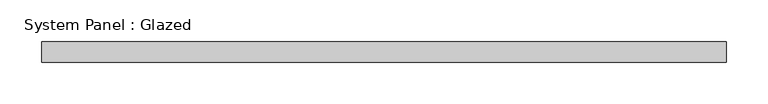
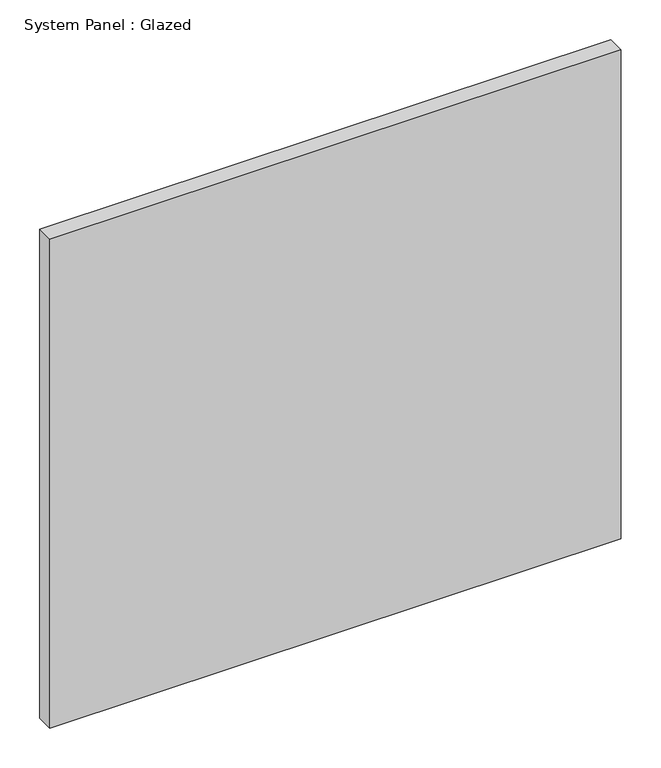
"""IFC4 building model written with IfcOpenShell, lengths in millimetres: plate geometry, System Panel : Glazed."""

import ifcopenshell
import ifcopenshell.guid

model = None  # the IFC model being written
_history = None  # IfcOwnerHistory: only IFC2X3 demands one
_inside = {}  # id of a spatial element -> (the spatial element, [elements in it])
_under = {}  # id of a project, library or spatial element -> (it, [spatial elements below it])
_declared = {}  # id of a project -> (the project, [libraries it declares])
_typed = {}  # id of a type object -> (the type object, [elements of that type])
_made_of = {}  # id of a material, layer set ... -> (it, [elements and type objects made of it])


def new_model(schema):
    """Start an empty IFC model of exactly this schema.

    Asked for "IFC4X3", IfcOpenShell would pick the latest addendum, in which some entities
    have other attributes; the version numbers below select the first issue.
    IFC2X3 requires an IfcOwnerHistory on every rooted entity: one is made here for all.
    """
    global model, _history
    if schema == "IFC4X3":
        model = ifcopenshell.file(schema_version=(4, 3, 0, 0))
    else:
        model = ifcopenshell.file(schema=schema)
    _inside.clear()
    _under.clear()
    _declared.clear()
    _typed.clear()
    _made_of.clear()
    _history = None
    if model.schema == "IFC2X3":
        org = make("IfcOrganization", Name="unknown")
        user = make(
            "IfcPersonAndOrganization",
            ThePerson=make("IfcPerson", FamilyName="unknown"),
            TheOrganization=org,
        )
        app = make(
            "IfcApplication",
            ApplicationDeveloper=org,
            Version="unknown",
            ApplicationFullName="unknown",
            ApplicationIdentifier="unknown",
        )
        _history = make(
            "IfcOwnerHistory",
            OwningUser=user,
            OwningApplication=app,
            ChangeAction="ADDED",
            CreationDate=0,
        )
    return model


def make(cls, **values):
    """One entity of the class cls with the attributes given. An attribute that is None is left unset."""
    return model.create_entity(
        cls, **{name: value for name, value in values.items() if value is not None}
    )


def rooted(cls, **values):
    """An entity with a GlobalId (a new one), such as an element, a storey or a relation."""
    return make(cls, GlobalId=ifcopenshell.guid.new(), OwnerHistory=_history, **values)


def si_unit(unit_type, name, prefix=None):
    """IfcSIUnit, for example si_unit("LENGTHUNIT", "METRE", prefix="MILLI")."""
    return make("IfcSIUnit", UnitType=unit_type, Prefix=prefix, Name=name)


def assignment(units):
    """IfcUnitAssignment: the units of a project."""
    return None if units is None else make("IfcUnitAssignment", Units=units)


def point(xyz):
    """IfcCartesianPoint."""
    return None if xyz is None else make("IfcCartesianPoint", Coordinates=xyz)


def direction(xyz):
    """IfcDirection."""
    return None if xyz is None else make("IfcDirection", DirectionRatios=xyz)


def frame(location, z_axis=None, x_axis=None):
    """IfcAxis2Placement3D, a coordinate frame: its origin and axes. An axis left out is left unset."""
    return make(
        "IfcAxis2Placement3D",
        Location=point(location),
        Axis=direction(z_axis),
        RefDirection=direction(x_axis),
    )


def origin():
    """The frame at (0, 0, 0) with its axes left unset."""
    return frame((0.0, 0.0, 0.0))


def origin_with_axes():
    """The frame at (0, 0, 0) with the z axis (0, 0, 1) and the x axis (1, 0, 0) written out."""
    return frame((0.0, 0.0, 0.0), z_axis=(0.0, 0.0, 1.0), x_axis=(1.0, 0.0, 0.0))


def place(relative_to, where):
    """IfcLocalPlacement: puts the frame where relative to a parent placement (None: the world)."""
    return make(
        "IfcLocalPlacement", PlacementRelTo=relative_to, RelativePlacement=where
    )


def context(
    kind, dimensions, precision=None, world=None, true_north=None, identifier=None
):
    """IfcGeometricRepresentationContext, for example the 3D "Model" context."""
    return make(
        "IfcGeometricRepresentationContext",
        ContextIdentifier=identifier,
        ContextType=kind,
        CoordinateSpaceDimension=dimensions,
        Precision=precision,
        WorldCoordinateSystem=world,
        TrueNorth=true_north,
    )


def project(units=None, contexts=None):
    """IfcProject with its units and contexts."""
    return rooted(
        "IfcProject",
        Name="project",
        RepresentationContexts=contexts,
        UnitsInContext=assignment(units),
    )


def spatial(cls, under=None, at=None, **own):
    """A site, building, storey or space (cls), placed at a placement, below another one or the project."""
    s = rooted(cls, ObjectPlacement=at, **own)
    if under is not None:
        _under.setdefault(under.id(), (under, []))[1].append(s)
    return s


def polyline(points):
    """IfcPolyline through the points."""
    return make("IfcPolyline", Points=[point(p) for p in points])


def outline(outer, holes=None, kind="AREA"):
    """IfcArbitraryClosedProfileDef: a profile drawn as a closed curve; with holes, ...WithVoids."""
    if holes is None:
        return make("IfcArbitraryClosedProfileDef", ProfileType=kind, OuterCurve=outer)
    return make(
        "IfcArbitraryProfileDefWithVoids",
        ProfileType=kind,
        OuterCurve=outer,
        InnerCurves=holes,
    )


def extrude(swept, where, along, depth):
    """IfcExtrudedAreaSolid: the profile swept, set in the frame where, extruded along a direction by depth."""
    return make(
        "IfcExtrudedAreaSolid",
        SweptArea=swept,
        Position=where,
        ExtrudedDirection=direction(along),
        Depth=depth,
    )


def shape(context_of_items, identifier, shape_type, items):
    """IfcShapeRepresentation: the items that make up one representation, for example the "Body"."""
    return make(
        "IfcShapeRepresentation",
        ContextOfItems=context_of_items,
        RepresentationIdentifier=identifier,
        RepresentationType=shape_type,
        Items=items,
    )


def source(mapping_origin, context_of_items, identifier, shape_type, items):
    """IfcRepresentationMap: a shape defined once, which mapped items show again and again."""
    return make(
        "IfcRepresentationMap",
        MappingOrigin=mapping_origin,
        MappedRepresentation=shape(context_of_items, identifier, shape_type, items),
    )


def transform(
    local_origin,
    x_axis=None,
    y_axis=None,
    z_axis=None,
    scale=None,
    scale2=None,
    scale3=None,
    uniform=True,
):
    """IfcCartesianTransformationOperator3D, or its non-uniform kind. x_axis, y_axis, z_axis: its Axis1, 2, 3."""
    if uniform:
        return make(
            "IfcCartesianTransformationOperator3D",
            Axis1=direction(x_axis),
            Axis2=direction(y_axis),
            LocalOrigin=point(local_origin),
            Scale=scale,
            Axis3=direction(z_axis),
        )
    return make(
        "IfcCartesianTransformationOperator3DnonUniform",
        Axis1=direction(x_axis),
        Axis2=direction(y_axis),
        LocalOrigin=point(local_origin),
        Scale=scale,
        Axis3=direction(z_axis),
        Scale2=scale2,
        Scale3=scale3,
    )


def mapped(mapping_source, mapping_target):
    """IfcMappedItem: shows the shape of a source again, moved by a transform."""
    return make(
        "IfcMappedItem", MappingSource=mapping_source, MappingTarget=mapping_target
    )


def made_of(thing, what):
    """Note that an element or type object is made of a material, layer set ...; save() writes the relation."""
    if what is not None:
        _made_of.setdefault(what.id(), (what, []))[1].append(thing)
    return thing


def element(
    cls,
    number,
    at=None,
    inside=None,
    cuts=None,
    type_object=None,
    material=None,
    context=None,
    identifier="Body",
    shape_type=None,
    held_by="IfcProductDefinitionShape",
    body=None,
    shapes=None,
    **own,
):
    """One element of the class cls, such as IfcWall. Its Tag is "e" and its number.

    at: its placement. inside: the storey or other place that contains it. cuts: it is an
    opening in that element (IfcRelVoidsElement). A single representation is given by context,
    identifier, shape_type and body (its items); several are given by shapes. held_by: the class
    of the entity that holds the representations. save() writes the other relations.
    """
    e = rooted(cls, Tag="e%d" % number, ObjectPlacement=at, **own)
    if body is not None:
        shapes = [shape(context, identifier, shape_type, body)]
    if shapes is not None:
        e.Representation = make(held_by, Representations=shapes)
    if inside is not None:
        _inside.setdefault(inside.id(), (inside, []))[1].append(e)
    if cuts is not None:
        rooted(
            "IfcRelVoidsElement", RelatingBuildingElement=cuts, RelatedOpeningElement=e
        )
    if type_object is not None:
        _typed.setdefault(type_object.id(), (type_object, []))[1].append(e)
    return made_of(e, material)


def aggregate(whole, parts):
    """IfcRelAggregates: a whole, such as a stair, and the parts it consists of."""
    return rooted("IfcRelAggregates", RelatingObject=whole, RelatedObjects=parts)


def save(model, path):
    """Write the relations noted so far, then the file.

    IfcRelAggregates (storeys below a building ...), IfcRelContainedInSpatialStructure (elements
    in a storey), IfcRelDefinesByType, IfcRelAssociatesMaterial and IfcRelDeclares: one each for
    every whole, place, type object, material and project.
    """
    for whole, parts in _under.values():
        aggregate(whole, parts)
    for where, things in _inside.values():
        rooted(
            "IfcRelContainedInSpatialStructure",
            RelatedElements=things,
            RelatingStructure=where,
        )
    for kind, things in _typed.values():
        rooted("IfcRelDefinesByType", RelatedObjects=things, RelatingType=kind)
    for what, things in _made_of.values():
        rooted("IfcRelAssociatesMaterial", RelatedObjects=things, RelatingMaterial=what)
    for by, libraries in _declared.values():
        rooted("IfcRelDeclares", RelatingContext=by, RelatedDefinitions=libraries)
    model.write(path)


def system_panel_glazed_f9b53068(model_context):
    return source(origin(), model_context, "Body", "SweptSolid", [
        extrude(outline(polyline([(412.5, -49.5), (-412.5, -49.5), (-412.5, -24.5), (412.5, -24.5), (412.5, -49.5)])), origin_with_axes(), (0.0, 0.0, 1.0), 746.6666667),
    ])


if __name__ == "__main__":
    model = new_model("IFC4")
    model_context = context("Model", 3, world=origin())
    ifc_project = project(units=[si_unit("LENGTHUNIT", "METRE", prefix="MILLI")], contexts=[model_context])
    site = spatial("IfcSite", under=ifc_project)
    building = spatial("IfcBuilding", under=site)
    placement = place(None, origin())
    system_panel_glazed_shape = system_panel_glazed_f9b53068(model_context)
    element("IfcPlate", 1, ObjectType="System Panel : Glazed", at=placement, inside=building, context=model_context, shape_type="MappedRepresentation", body=[
        mapped(system_panel_glazed_shape, transform((0.0, 0.0, 0.0), x_axis=(1.0, 0.0, 0.0), y_axis=(0.0, 1.0, 0.0), z_axis=(0.0, 0.0, 1.0))),
    ])
    save(model, "model.ifc")
